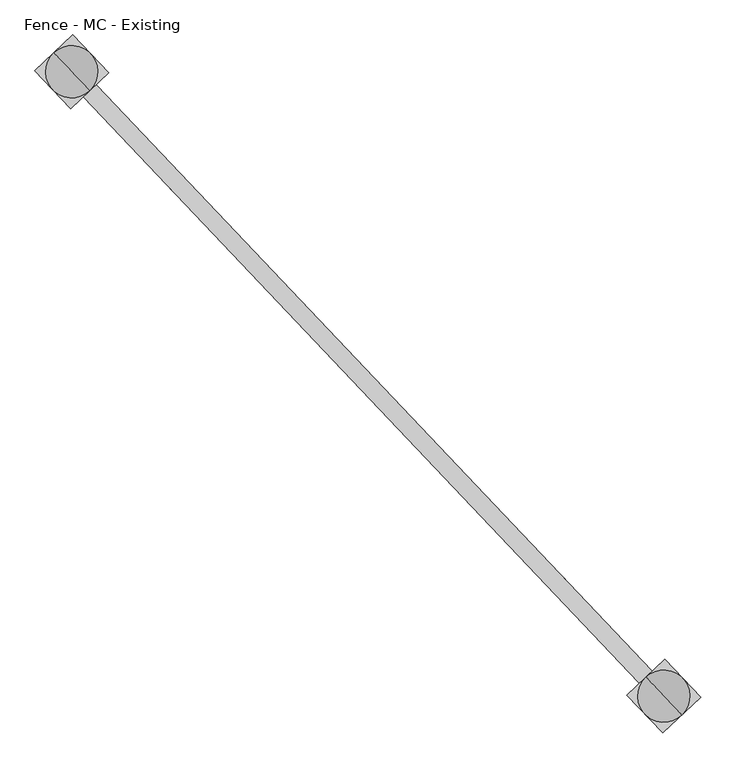
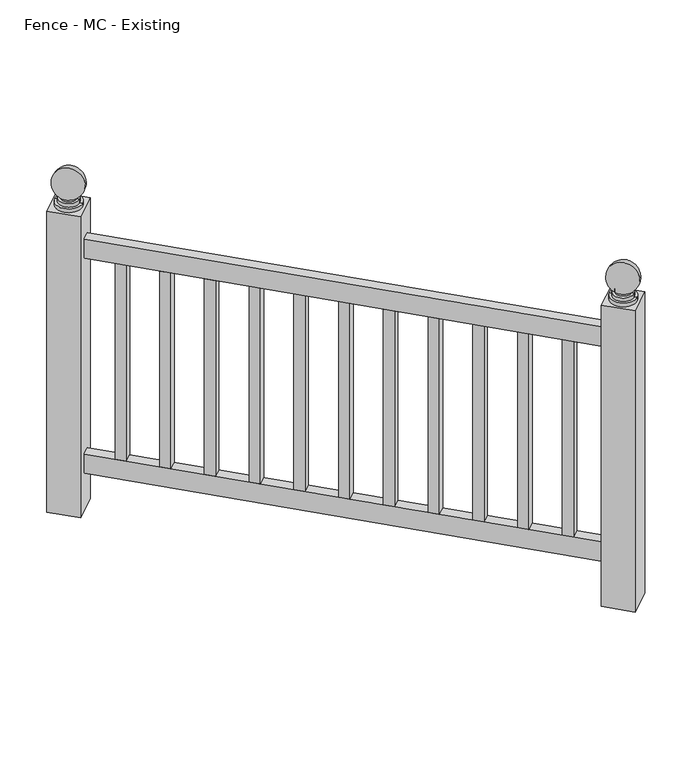
"""IFC4 building model written with IfcOpenShell, lengths in millimetres: railing geometry, Fence - MC - Existing."""

from ifc_helpers import new_model, si_unit, point, frame, origin, place, context, project, spatial, polyline, circle_curve, ellipse_curve, trimmed, outline, extrude, source, transform, mapped, element, save
from ifc_brep_helpers import plane_surface, cylinder_surface, revolved_surface, advanced_brep


def fence_mc_existing_0a8103e1(model_context):
    return source(origin(), model_context, "Body", "SolidModel", [
        extrude(outline(polyline([(115116.2026593, 54114.7371189), (115134.6271683, 54132.2213251), (116001.3961131, 53218.8374378), (115982.9716041, 53201.3532316), (115116.2026593, 54114.7371189)])), frame((0.0, 0.0, 27660.6), z_axis=(0.0, 0.0, 1.0), x_axis=(1.0, 0.0, 0.0)), (0.0, 0.0, 1.0), 50.8),
        extrude(outline(polyline([(115116.2026593, 54114.7371189), (115134.6271683, 54132.2213251), (116001.3961131, 53218.8374378), (115982.9716041, 53201.3532316), (115116.2026593, 54114.7371189)])), frame((0.0, 0.0, 27089.1), z_axis=(0.0, 0.0, 1.0), x_axis=(1.0, 0.0, 0.0)), (0.0, 0.0, 1.0), 50.8),
        extrude(outline(polyline([(115960.4659779, 53225.0692132), (115978.8904869, 53242.5534194), (115996.3746932, 53224.1289104), (115977.9501841, 53206.6447042), (115960.4659779, 53225.0692132)])), frame((0.0, 0.0, 27139.9), z_axis=(0.0, 0.0, 1.0), x_axis=(1.0, 0.0, 0.0)), (0.0, 0.0, 1.0), 520.7),
        extrude(outline(polyline([(115890.529153, 53298.7672493), (115908.9536621, 53316.2514555), (115926.4378683, 53297.8269465), (115908.0133593, 53280.3427403), (115890.529153, 53298.7672493)])), frame((0.0, 0.0, 27139.9), z_axis=(0.0, 0.0, 1.0), x_axis=(1.0, 0.0, 0.0)), (0.0, 0.0, 1.0), 520.7),
        extrude(outline(polyline([(115820.5923281, 53372.4652854), (115839.0168372, 53389.9494916), (115856.5010434, 53371.5249826), (115838.0765344, 53354.0407764), (115820.5923281, 53372.4652854)])), frame((0.0, 0.0, 27139.9), z_axis=(0.0, 0.0, 1.0), x_axis=(1.0, 0.0, 0.0)), (0.0, 0.0, 1.0), 520.7),
        extrude(outline(polyline([(115750.6555032, 53446.1633215), (115769.0800123, 53463.6475277), (115786.5642185, 53445.2230187), (115768.1397095, 53427.7388125), (115750.6555032, 53446.1633215)])), frame((0.0, 0.0, 27139.9), z_axis=(0.0, 0.0, 1.0), x_axis=(1.0, 0.0, 0.0)), (0.0, 0.0, 1.0), 520.7),
        extrude(outline(polyline([(115680.7186784, 53519.8613576), (115699.1431874, 53537.3455638), (115716.6273936, 53518.9210548), (115698.2028846, 53501.4368486), (115680.7186784, 53519.8613576)])), frame((0.0, 0.0, 27139.9), z_axis=(0.0, 0.0, 1.0), x_axis=(1.0, 0.0, 0.0)), (0.0, 0.0, 1.0), 520.7),
        extrude(outline(polyline([(115610.7818535, 53593.5593937), (115629.2063625, 53611.0435999), (115646.6905687, 53592.6190909), (115628.2660597, 53575.1348847), (115610.7818535, 53593.5593937)])), frame((0.0, 0.0, 27139.9), z_axis=(0.0, 0.0, 1.0), x_axis=(1.0, 0.0, 0.0)), (0.0, 0.0, 1.0), 520.7),
        extrude(outline(polyline([(115540.8450286, 53667.2574298), (115559.2695376, 53684.741636), (115576.7537438, 53666.317127), (115558.3292348, 53648.8329207), (115540.8450286, 53667.2574298)])), frame((0.0, 0.0, 27139.9), z_axis=(0.0, 0.0, 1.0), x_axis=(1.0, 0.0, 0.0)), (0.0, 0.0, 1.0), 520.7),
        extrude(outline(polyline([(115470.9082037, 53740.9554659), (115489.3327127, 53758.4396721), (115506.8169189, 53740.0151631), (115488.3924099, 53722.5309568), (115470.9082037, 53740.9554659)])), frame((0.0, 0.0, 27139.9), z_axis=(0.0, 0.0, 1.0), x_axis=(1.0, 0.0, 0.0)), (0.0, 0.0, 1.0), 520.7),
        extrude(outline(polyline([(115400.9713788, 53814.653502), (115419.3958878, 53832.1377082), (115436.880094, 53813.7131992), (115418.455585, 53796.2289929), (115400.9713788, 53814.653502)])), frame((0.0, 0.0, 27139.9), z_axis=(0.0, 0.0, 1.0), x_axis=(1.0, 0.0, 0.0)), (0.0, 0.0, 1.0), 520.7),
        extrude(outline(polyline([(115331.0345539, 53888.3515381), (115349.4590629, 53905.8357443), (115366.9432692, 53887.4112353), (115348.5187601, 53869.927029), (115331.0345539, 53888.3515381)])), frame((0.0, 0.0, 27139.9), z_axis=(0.0, 0.0, 1.0), x_axis=(1.0, 0.0, 0.0)), (0.0, 0.0, 1.0), 520.7),
        extrude(outline(polyline([(115261.097729, 53962.0495741), (115279.522238, 53979.5337804), (115297.0064443, 53961.1092713), (115278.5819352, 53943.6250651), (115261.097729, 53962.0495741)])), frame((0.0, 0.0, 27139.9), z_axis=(0.0, 0.0, 1.0), x_axis=(1.0, 0.0, 0.0)), (0.0, 0.0, 1.0), 520.7),
        extrude(outline(polyline([(115191.1609041, 54035.7476102), (115209.5854131, 54053.2318165), (115227.0696194, 54034.8073074), (115208.6451103, 54017.3231012), (115191.1609041, 54035.7476102)])), frame((0.0, 0.0, 27139.9), z_axis=(0.0, 0.0, 1.0), x_axis=(1.0, 0.0, 0.0)), (0.0, 0.0, 1.0), 520.7),
        extrude(outline(polyline([(115121.2240792, 54109.4456463), (115139.6485883, 54126.9298526), (115157.1327945, 54108.5053435), (115138.7082855, 54091.0211373), (115121.2240792, 54109.4456463)])), frame((0.0, 0.0, 27139.9), z_axis=(0.0, 0.0, 1.0), x_axis=(1.0, 0.0, 0.0)), (0.0, 0.0, 1.0), 520.7),
        advanced_brep(
        [(116014.0391164, 53187.0646984, 27787.6), (115970.3286009, 53233.125971, 27787.6), (115992.1838586, 53210.0953347, 27787.6), (116014.0391164, 53187.0646984, 27797.125), (115970.3286009, 53233.125971, 27797.125), (116009.6680649, 53191.6708257, 27797.125), (115974.6996524, 53228.5198437, 27797.125), (116009.6680649, 53191.6708257, 27806.65), (115974.6996524, 53228.5198437, 27806.65), (116005.2970133, 53196.2769529, 27806.65), (115979.070704, 53223.9137165, 27806.65), (116005.2970133, 53196.2769529, 27811.7544321), (115979.070704, 53223.9137165, 27811.7544321), (115992.1838586, 53210.0953347, 27882.85)],
        [
            (0, 1, circle_curve(frame((115992.1838586, 53210.0953347, 27787.6), z_axis=(0.0, 0.0, -1.0), x_axis=(-0.6883545756937386, 0.7253743710123023, 0.0)), 31.75)),
            (1, 2),
            (2, 0),
            (1, 0, circle_curve(frame((115992.1838586, 53210.0953347, 27787.6), z_axis=(0.0, 0.0, -1.0), x_axis=(-0.6883545756937386, 0.7253743710123023, 0.0)), 31.75)),
            (0, 3),
            (3, 4, circle_curve(frame((115992.1838586, 53210.0953347, 27797.125), z_axis=(0.0, 0.0, -1.0), x_axis=(-0.6883545756937386, 0.7253743710123023, 0.0)), 31.75)),
            (4, 1),
            (4, 3, circle_curve(frame((115992.1838586, 53210.0953347, 27797.125), z_axis=(0.0, 0.0, -1.0), x_axis=(-0.6883545756937386, 0.7253743710123023, 0.0)), 31.75)),
            (3, 5),
            (5, 6, circle_curve(frame((115992.1838586, 53210.0953347, 27797.125), z_axis=(0.0, 0.0, -1.0), x_axis=(-0.6883545756937386, 0.7253743710123023, 0.0)), 25.4)),
            (6, 4),
            (6, 5, circle_curve(frame((115992.1838586, 53210.0953347, 27797.125), z_axis=(0.0, 0.0, -1.0), x_axis=(-0.6883545756937386, 0.7253743710123023, 0.0)), 25.4)),
            (5, 7),
            (7, 8, circle_curve(frame((115992.1838586, 53210.0953347, 27806.65), z_axis=(0.0, 0.0, -1.0), x_axis=(-0.6883545756937386, 0.7253743710123023, 0.0)), 25.4)),
            (8, 6),
            (8, 7, circle_curve(frame((115992.1838586, 53210.0953347, 27806.65), z_axis=(0.0, 0.0, -1.0), x_axis=(-0.6883545756937386, 0.7253743710123023, 0.0)), 25.4)),
            (7, 9),
            (9, 10, circle_curve(frame((115992.1838586, 53210.0953347, 27806.65), z_axis=(0.0, 0.0, -1.0), x_axis=(-0.6883545756937386, 0.7253743710123023, 0.0)), 19.05)),
            (10, 8),
            (10, 9, circle_curve(frame((115992.1838586, 53210.0953347, 27806.65), z_axis=(0.0, 0.0, -1.0), x_axis=(-0.6883545756937386, 0.7253743710123023, 0.0)), 19.05)),
            (9, 11),
            (11, 12, circle_curve(frame((115992.1838586, 53210.0953347, 27811.7544321), z_axis=(0.0, 0.0, -1.0), x_axis=(-0.6883545756937386, 0.7253743710123023, 0.0)), 19.05)),
            (12, 10),
            (12, 11, circle_curve(frame((115992.1838586, 53210.0953347, 27811.7544321), z_axis=(0.0, 0.0, -1.0), x_axis=(-0.6883545756937386, 0.7253743710123023, 0.0)), 19.05)),
            (11, 13, circle_curve(frame((115992.1838586, 53210.0953347, 27844.75), z_axis=(-0.7253743710123045, -0.6883545756937363, 0.0), x_axis=(0.6883545756937363, -0.7253743710123045, 0.0)), 38.1)),
            (13, 12, circle_curve(frame((115992.1838586, 53210.0953347, 27844.75), z_axis=(-0.7253743710123023, -0.6883545756937386, 0.0), x_axis=(-0.6883545756937386, 0.7253743710123023, 0.0)), 38.1)),
        ],
        [
            plane_surface(frame((115992.1838586, 53210.0953347, 27787.6), z_axis=(0.0, 0.0, -1.0), x_axis=(-0.6883545756937386, 0.7253743710123023, 0.0))),
            cylinder_surface(frame((115992.1838586, 53210.0953347, 27787.6), z_axis=(0.0, 0.0, 1.0), x_axis=(-0.6883545756937386, 0.7253743710123023, 0.0)), 31.75),
            plane_surface(frame((115992.1838586, 53210.0953347, 27797.125), z_axis=(0.0, 0.0, 1.0), x_axis=(-0.6883545756937386, 0.7253743710123023, 0.0))),
            cylinder_surface(frame((115992.1838586, 53210.0953347, 27787.6), z_axis=(0.0, 0.0, 1.0), x_axis=(-0.6883545756937386, 0.7253743710123023, 0.0)), 25.4),
            plane_surface(frame((115992.1838586, 53210.0953347, 27806.65), z_axis=(0.0, 0.0, 1.0), x_axis=(-0.6883545756937386, 0.7253743710123023, 0.0))),
            cylinder_surface(frame((115992.1838586, 53210.0953347, 27787.6), z_axis=(0.0, 0.0, 1.0), x_axis=(-0.6883545756937386, 0.7253743710123023, 0.0)), 19.05),
            revolved_surface(trimmed(ellipse_curve(frame((115992.1838586, 53210.0953347, 27844.75), z_axis=(0.7253743710123023, 0.6883545756937386, 0.0), x_axis=(-0.6883545756937386, 0.7253743710123023, 0.0)), 38.1, 38.1), [point((115979.070704, 53223.9137165, 27811.7544321))], [point((115992.1838586, 53210.0953347, 27882.85))], True, "CARTESIAN"), (115992.1838586, 53210.0953347, 27787.6), (0.0, 0.0, 1.0)),
        ],
        [
            (0, [[1, 2, 3]]),
            (0, [[-2, 4, -3]]),
            (1, [[-1, 5, 6, 7]]),
            (1, [[-4, -7, 8, -5]]),
            (2, [[-6, 9, 10, 11]]),
            (2, [[-8, -11, 12, -9]]),
            (3, [[-10, 13, 14, 15]]),
            (3, [[-12, -15, 16, -13]]),
            (4, [[-14, 17, 18, 19]]),
            (4, [[-16, -19, 20, -17]]),
            (5, [[-18, 21, 22, 23]]),
            (5, [[-20, -23, 24, -21]]),
            (6, [[-22, 25, 26]]),
            (6, [[-24, -26, -25]]),
        ],
    ),
        extrude(outline(polyline([(115993.5943128, 53263.9584076), (116046.0469315, 53208.6848805), (115990.7734044, 53156.2322618), (115938.3207858, 53211.5057889), (115993.5943128, 53263.9584076)])), frame((0.0, 0.0, 26987.5), z_axis=(0.0, 0.0, 1.0), x_axis=(1.0, 0.0, 0.0)), (0.0, 0.0, 1.0), 800.1),
        advanced_brep(
        [(115147.2701715, 54100.4485857, 27787.6), (115103.559656, 54146.5098583, 27787.6), (115125.4149138, 54123.479222, 27787.6), (115147.2701715, 54100.4485857, 27797.125), (115103.559656, 54146.5098583, 27797.125), (115142.89912, 54105.054713, 27797.125), (115107.9307075, 54141.903731, 27797.125), (115142.89912, 54105.054713, 27806.65), (115107.9307075, 54141.903731, 27806.65), (115138.5280684, 54109.6608403, 27806.65), (115112.3017591, 54137.2976038, 27806.65), (115138.5280684, 54109.6608403, 27811.7544321), (115112.3017591, 54137.2976038, 27811.7544321), (115125.4149138, 54123.479222, 27882.85)],
        [
            (0, 1, circle_curve(frame((115125.4149138, 54123.479222, 27787.6), z_axis=(0.0, 0.0, -1.0), x_axis=(-0.6883545756937386, 0.7253743710123023, 0.0)), 31.75)),
            (1, 2),
            (2, 0),
            (1, 0, circle_curve(frame((115125.4149138, 54123.479222, 27787.6), z_axis=(0.0, 0.0, -1.0), x_axis=(-0.6883545756937386, 0.7253743710123023, 0.0)), 31.75)),
            (0, 3),
            (3, 4, circle_curve(frame((115125.4149138, 54123.479222, 27797.125), z_axis=(0.0, 0.0, -1.0), x_axis=(-0.6883545756937386, 0.7253743710123023, 0.0)), 31.75)),
            (4, 1),
            (4, 3, circle_curve(frame((115125.4149138, 54123.479222, 27797.125), z_axis=(0.0, 0.0, -1.0), x_axis=(-0.6883545756937386, 0.7253743710123023, 0.0)), 31.75)),
            (3, 5),
            (5, 6, circle_curve(frame((115125.4149138, 54123.479222, 27797.125), z_axis=(0.0, 0.0, -1.0), x_axis=(-0.6883545756937386, 0.7253743710123023, 0.0)), 25.4)),
            (6, 4),
            (6, 5, circle_curve(frame((115125.4149138, 54123.479222, 27797.125), z_axis=(0.0, 0.0, -1.0), x_axis=(-0.6883545756937386, 0.7253743710123023, 0.0)), 25.4)),
            (5, 7),
            (7, 8, circle_curve(frame((115125.4149138, 54123.479222, 27806.65), z_axis=(0.0, 0.0, -1.0), x_axis=(-0.6883545756937386, 0.7253743710123023, 0.0)), 25.4)),
            (8, 6),
            (8, 7, circle_curve(frame((115125.4149138, 54123.479222, 27806.65), z_axis=(0.0, 0.0, -1.0), x_axis=(-0.6883545756937386, 0.7253743710123023, 0.0)), 25.4)),
            (7, 9),
            (9, 10, circle_curve(frame((115125.4149138, 54123.479222, 27806.65), z_axis=(0.0, 0.0, -1.0), x_axis=(-0.6883545756937386, 0.7253743710123023, 0.0)), 19.05)),
            (10, 8),
            (10, 9, circle_curve(frame((115125.4149138, 54123.479222, 27806.65), z_axis=(0.0, 0.0, -1.0), x_axis=(-0.6883545756937386, 0.7253743710123023, 0.0)), 19.05)),
            (9, 11),
            (11, 12, circle_curve(frame((115125.4149138, 54123.479222, 27811.7544321), z_axis=(0.0, 0.0, -1.0), x_axis=(-0.6883545756937386, 0.7253743710123023, 0.0)), 19.05)),
            (12, 10),
            (12, 11, circle_curve(frame((115125.4149138, 54123.479222, 27811.7544321), z_axis=(0.0, 0.0, -1.0), x_axis=(-0.6883545756937386, 0.7253743710123023, 0.0)), 19.05)),
            (11, 13, circle_curve(frame((115125.4149138, 54123.479222, 27844.75), z_axis=(-0.7253743710123045, -0.6883545756937363, 0.0), x_axis=(0.6883545756937363, -0.7253743710123045, 0.0)), 38.1)),
            (13, 12, circle_curve(frame((115125.4149138, 54123.479222, 27844.75), z_axis=(-0.7253743710123023, -0.6883545756937386, 0.0), x_axis=(-0.6883545756937386, 0.7253743710123023, 0.0)), 38.1)),
        ],
        [
            plane_surface(frame((115125.4149138, 54123.479222, 27787.6), z_axis=(0.0, 0.0, -1.0), x_axis=(-0.6883545756937386, 0.7253743710123023, 0.0))),
            cylinder_surface(frame((115125.4149138, 54123.479222, 27787.6), z_axis=(0.0, 0.0, 1.0), x_axis=(-0.6883545756937386, 0.7253743710123023, 0.0)), 31.75),
            plane_surface(frame((115125.4149138, 54123.479222, 27797.125), z_axis=(0.0, 0.0, 1.0), x_axis=(-0.6883545756937386, 0.7253743710123023, 0.0))),
            cylinder_surface(frame((115125.4149138, 54123.479222, 27787.6), z_axis=(0.0, 0.0, 1.0), x_axis=(-0.6883545756937386, 0.7253743710123023, 0.0)), 25.4),
            plane_surface(frame((115125.4149138, 54123.479222, 27806.65), z_axis=(0.0, 0.0, 1.0), x_axis=(-0.6883545756937386, 0.7253743710123023, 0.0))),
            cylinder_surface(frame((115125.4149138, 54123.479222, 27787.6), z_axis=(0.0, 0.0, 1.0), x_axis=(-0.6883545756937386, 0.7253743710123023, 0.0)), 19.05),
            revolved_surface(trimmed(ellipse_curve(frame((115125.4149138, 54123.479222, 27844.75), z_axis=(0.7253743710123023, 0.6883545756937386, 0.0), x_axis=(-0.6883545756937386, 0.7253743710123023, 0.0)), 38.1, 38.1), [point((115112.3017591, 54137.2976038, 27811.7544321))], [point((115125.4149138, 54123.479222, 27882.85))], True, "CARTESIAN"), (115125.4149138, 54123.479222, 27787.6), (0.0, 0.0, 1.0)),
        ],
        [
            (0, [[1, 2, 3]]),
            (0, [[-2, 4, -3]]),
            (1, [[-1, 5, 6, 7]]),
            (1, [[-4, -7, 8, -5]]),
            (2, [[-6, 9, 10, 11]]),
            (2, [[-8, -11, 12, -9]]),
            (3, [[-10, 13, 14, 15]]),
            (3, [[-12, -15, 16, -13]]),
            (4, [[-14, 17, 18, 19]]),
            (4, [[-16, -19, 20, -17]]),
            (5, [[-18, 21, 22, 23]]),
            (5, [[-20, -23, 24, -21]]),
            (6, [[-22, 25, 26]]),
            (6, [[-24, -26, -25]]),
        ],
    ),
        extrude(outline(polyline([(115126.825368, 54177.3422949), (115179.2779866, 54122.0687678), (115124.0044596, 54069.6161492), (115071.5518409, 54124.8896762), (115126.825368, 54177.3422949)])), frame((0.0, 0.0, 26987.5), z_axis=(0.0, 0.0, 1.0), x_axis=(1.0, 0.0, 0.0)), (0.0, 0.0, 1.0), 800.1),
    ])


if __name__ == "__main__":
    model = new_model("IFC4")
    model_context = context("Model", 3, world=origin())
    ifc_project = project(units=[si_unit("LENGTHUNIT", "METRE", prefix="MILLI")], contexts=[model_context])
    site = spatial("IfcSite", under=ifc_project)
    building = spatial("IfcBuilding", under=site)
    placement = place(None, origin())
    fence_mc_existing_shape = fence_mc_existing_0a8103e1(model_context)
    element("IfcRailing", 1, ObjectType="Fence - MC - Existing", at=placement, inside=building, context=model_context, shape_type="MappedRepresentation", body=[
        mapped(fence_mc_existing_shape, transform((0.0, 0.0, 0.0), x_axis=(1.0, 0.0, 0.0), y_axis=(0.0, 1.0, 0.0), z_axis=(0.0, 0.0, 1.0))),
    ])
    save(model, "model.ifc")
